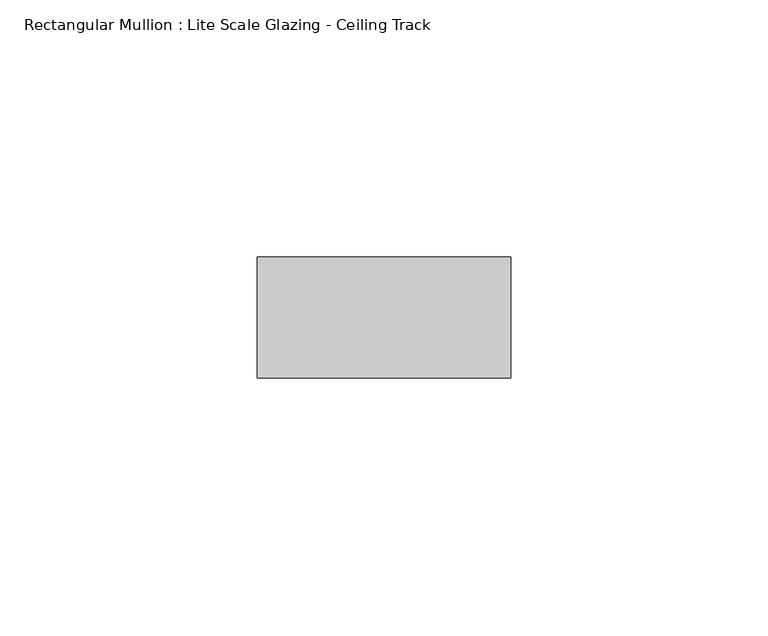
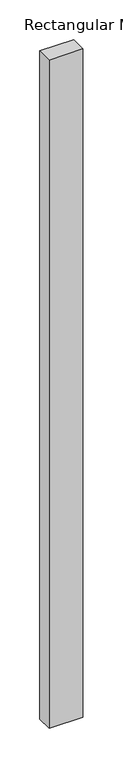
"""IFC4 building model written with IfcOpenShell, lengths in millimetres: member geometry, Rectangular Mullion : Lite Scale Glazing - Ceiling Track."""

from ifc_helpers import new_model, si_unit, frame, origin, place, context, project, spatial, polyline, outline, extrude, source, transform, mapped, element, save


def rectangular_mullion_lite_scale_glazing_ceiling_track_5b44f937(model_context):
    return source(origin(), model_context, "Body", "SweptSolid", [
        extrude(outline(polyline([(-49.276, 11.7474999), (0.0, 11.7474999), (0.0, -11.7474999), (-49.276, -11.7474999), (-49.276, 11.7474999)])), frame((0.0, 0.0, -1026.8043974), z_axis=(0.0, 0.0, 1.0), x_axis=(1.0, 0.0, 0.0)), (0.0, 0.0, 1.0), 1026.8043974),
    ])


if __name__ == "__main__":
    model = new_model("IFC4")
    model_context = context("Model", 3, world=origin())
    ifc_project = project(units=[si_unit("LENGTHUNIT", "METRE", prefix="MILLI")], contexts=[model_context])
    site = spatial("IfcSite", under=ifc_project)
    building = spatial("IfcBuilding", under=site)
    placement = place(None, origin())
    rectangular_mullion_lite_scale_glazing_ceiling_track_shape = rectangular_mullion_lite_scale_glazing_ceiling_track_5b44f937(model_context)
    element("IfcMember", 1, ObjectType="Rectangular Mullion : Lite Scale Glazing - Ceiling Track", at=placement, inside=building, context=model_context, shape_type="MappedRepresentation", body=[
        mapped(rectangular_mullion_lite_scale_glazing_ceiling_track_shape, transform((0.0, 0.0, 0.0), x_axis=(1.0, 0.0, 0.0), y_axis=(0.0, 1.0, 0.0), z_axis=(0.0, 0.0, 1.0))),
    ])
    save(model, "model.ifc")
